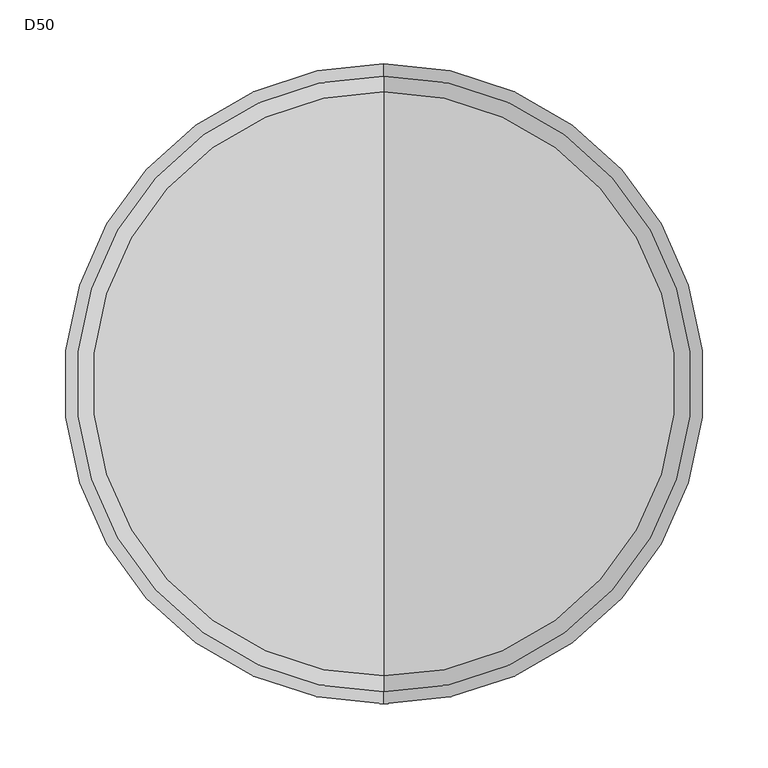
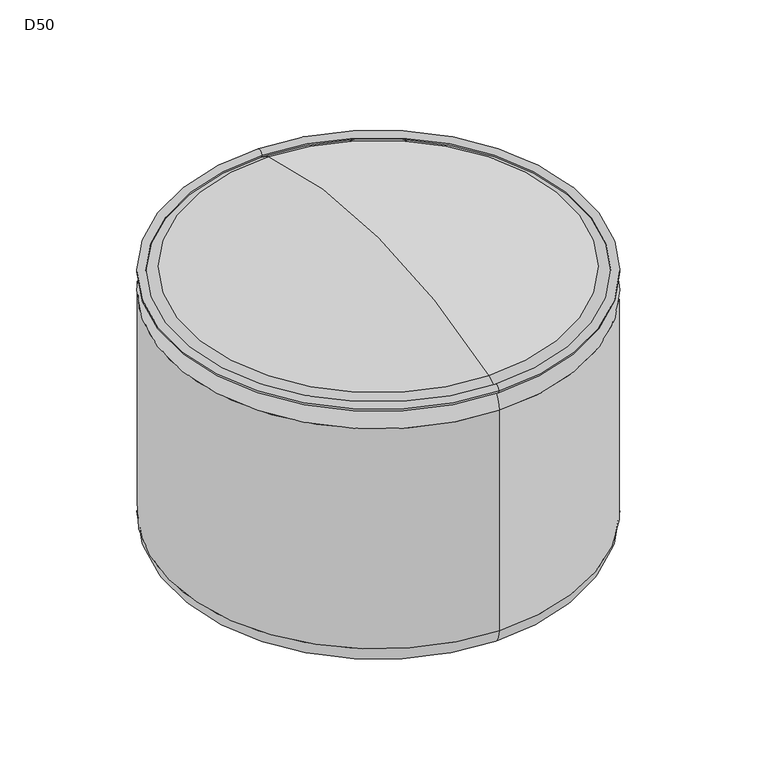
"""IFC4 building model written with IfcOpenShell, lengths in millimetres: furniture geometry, D50."""

from ifc_helpers import new_model, si_unit, point, frame, origin, place, context, project, spatial, circle_curve, ellipse_curve, trimmed, source, transform, mapped, element, save
from ifc_brep_helpers import plane_surface, cylinder_surface, revolved_surface, advanced_brep


def d50_78f3ab56(model_context):
    return source(origin(), model_context, "Body", "AdvancedBrep", [
        advanced_brep(
        [(-361.1339083, 586.2981598, 328.0171875), (-361.1339083, 105.2856598, 328.0171875), (-361.1339083, 95.7606598, 328.0171875), (-361.1339083, 595.8231598, 328.0171875)],
        [
            (0, 1, circle_curve(frame((-361.1339083, 345.7919098, 328.0171875), z_axis=(0.0, 0.0, -1.0), x_axis=(0.0, -1.0, 0.0)), 240.50625)),
            (1, 2, circle_curve(frame((-361.1339083, 100.5231598, 328.0171875), z_axis=(1.0, 0.0, 0.0), x_axis=(0.0, 1.0, 0.0)), 4.7625)),
            (2, 3, circle_curve(frame((-361.1339083, 345.7919098, 328.0171875), z_axis=(0.0, 0.0, 1.0), x_axis=(0.0, -1.0, 0.0)), 250.03125)),
            (3, 0, circle_curve(frame((-361.1339083, 591.0606598, 328.0171875), z_axis=(1.0, 0.0, 0.0), x_axis=(0.0, -1.0, 0.0)), 4.7625)),
            (2, 1, circle_curve(frame((-361.1339083, 100.5231598, 328.0171875), z_axis=(1.0, 0.0, 0.0), x_axis=(0.0, 1.0, 0.0)), 4.7625)),
            (0, 3, circle_curve(frame((-361.1339083, 591.0606598, 328.0171875), z_axis=(1.0, 0.0, 0.0), x_axis=(0.0, -1.0, 0.0)), 4.7625)),
            (1, 0, circle_curve(frame((-361.1339083, 345.7919098, 328.0171875), z_axis=(0.0, 0.0, -1.0), x_axis=(0.0, 1.0, 0.0)), 240.50625)),
            (3, 2, circle_curve(frame((-361.1339083, 345.7919098, 328.0171875), z_axis=(0.0, 0.0, 1.0), x_axis=(0.0, 1.0, 0.0)), 250.03125)),
        ],
        [
            revolved_surface(trimmed(ellipse_curve(frame((-361.1339083, 100.5231598, 328.0171875), z_axis=(-1.0, 0.0, 0.0), x_axis=(0.0, 1.0, 0.0)), 4.7625, 4.7625), [point((-361.1339083, 95.7606598, 328.0171875))], [point((-361.1339083, 105.2856598, 328.0171875))], True, "CARTESIAN"), (-361.1339083, 345.7919098, 323.2546875), (0.0, 0.0, 1.0)),
            revolved_surface(trimmed(ellipse_curve(frame((-361.1339083, 100.5231598, 328.0171875), z_axis=(-1.0, 0.0, 0.0), x_axis=(0.0, 1.0, 0.0)), 4.7625, 4.7625), [point((-361.1339083, 105.2856598, 328.0171875))], [point((-361.1339083, 95.7606598, 328.0171875))], True, "CARTESIAN"), (-361.1339083, 345.7919098, 323.2546875), (0.0, 0.0, 1.0)),
            revolved_surface(trimmed(ellipse_curve(frame((-361.1339083, 591.0606598, 328.0171875), z_axis=(1.0, 0.0, 0.0), x_axis=(0.0, -1.0, 0.0)), 4.7625, 4.7625), [point((-361.1339083, 595.8231598, 328.0171875))], [point((-361.1339083, 586.2981598, 328.0171875))], True, "CARTESIAN"), (-361.1339083, 345.7919098, 323.2546875), (0.0, 0.0, 1.0)),
            revolved_surface(trimmed(ellipse_curve(frame((-361.1339083, 591.0606598, 328.0171875), z_axis=(1.0, 0.0, 0.0), x_axis=(0.0, -1.0, 0.0)), 4.7625, 4.7625), [point((-361.1339083, 586.2981598, 328.0171875))], [point((-361.1339083, 595.8231598, 328.0171875))], True, "CARTESIAN"), (-361.1339083, 345.7919098, 323.2546875), (0.0, 0.0, 1.0)),
        ],
        [
            (0, [[1, 2, 3, 4]]),
            (1, [[-3, 5, -1, 6]]),
            (2, [[7, -4, 8, -2]]),
            (3, [[-8, -6, -7, -5]]),
        ],
    ),
        advanced_brep(
        [(-361.1339083, 95.7606598, 303.2939449), (-361.1339083, 595.8231598, 303.2939449), (-361.1339083, 595.8231598, 24.9923986), (-361.1339083, 95.7606598, 24.9923986), (-361.1339083, 117.6262158, 333.4661219), (-361.1339083, 573.9576038, 333.4661219), (-361.1339083, 345.7919098, 369.8875), (-361.1339083, 120.7530585, 0.0), (-361.1339083, 570.8307612, 0.0), (-361.1339083, 345.7919098, 0.0)],
        [
            (0, 1, circle_curve(frame((-361.1339083, 345.7919098, 303.2939449), z_axis=(0.0, 0.0, -1.0), x_axis=(0.0, 1.0, 0.0)), 250.03125)),
            (1, 2),
            (2, 3, circle_curve(frame((-361.1339083, 345.7919098, 24.9923986), z_axis=(0.0, 0.0, 1.0), x_axis=(0.0, 1.0, 0.0)), 250.03125)),
            (3, 0),
            (1, 0, circle_curve(frame((-361.1339083, 345.7919098, 303.2939449), z_axis=(0.0, 0.0, -1.0), x_axis=(0.0, 1.0, 0.0)), 250.03125)),
            (3, 2, circle_curve(frame((-361.1339083, 345.7919098, 24.9923986), z_axis=(0.0, 0.0, 1.0), x_axis=(0.0, 1.0, 0.0)), 250.03125)),
            (4, 5, circle_curve(frame((-361.1339083, 345.7919098, 333.4661219), z_axis=(0.0, 0.0, -1.0), x_axis=(0.0, 1.0, 0.0)), 228.165694)),
            (5, 1, circle_curve(frame((-361.1339083, 564.0731598, 303.2939449), z_axis=(-1.0, 0.0, 0.0), x_axis=(0.0, -1.0, 0.0)), 31.75)),
            (0, 4, circle_curve(frame((-361.1339083, 127.5106598, 303.2939449), z_axis=(-1.0, 0.0, 0.0), x_axis=(0.0, 1.0, 0.0)), 31.75)),
            (5, 4, circle_curve(frame((-361.1339083, 345.7919098, 333.4661219), z_axis=(0.0, 0.0, -1.0), x_axis=(0.0, 1.0, 0.0)), 228.165694)),
            (6, 5, circle_curve(frame((-361.1339083, 345.7919098, -363.0076227), z_axis=(-1.0, 0.0, 0.0), x_axis=(0.0, -1.0, 0.0)), 732.8951227)),
            (4, 6, circle_curve(frame((-361.1339083, 345.7919098, -363.0076227), z_axis=(-1.0, 0.0, 0.0), x_axis=(0.0, 1.0, 0.0)), 732.8951227)),
            (7, 8, circle_curve(frame((-361.1339083, 345.7919098, 0.0), z_axis=(0.0, 0.0, -1.0), x_axis=(0.0, 1.0, 0.0)), 225.0388514)),
            (8, 9),
            (9, 7),
            (8, 7, circle_curve(frame((-361.1339083, 345.7919098, 0.0), z_axis=(0.0, 0.0, -1.0), x_axis=(0.0, 1.0, 0.0)), 225.0388514)),
            (2, 8, circle_curve(frame((-361.1339083, 570.8307612, 24.9923986), z_axis=(-1.0, 0.0, 0.0), x_axis=(0.0, 1.0, 0.0)), 24.9923986)),
            (7, 3, circle_curve(frame((-361.1339083, 120.7530585, 24.9923986), z_axis=(-1.0, 0.0, 0.0), x_axis=(0.0, -1.0, 0.0)), 24.9923986)),
        ],
        [
            cylinder_surface(frame((-361.1339083, 345.7919098, 685.8), z_axis=(0.0, 0.0, 1.0), x_axis=(0.0, 1.0, 0.0)), 250.03125),
            revolved_surface(trimmed(ellipse_curve(frame((-361.1339083, 564.0731598, 303.2939449), z_axis=(1.0, 0.0, 0.0), x_axis=(0.0, -1.0, 0.0)), 31.75, 31.75), [point((-361.1339083, 595.8231598, 303.2939449))], [point((-361.1339083, 573.9576038, 333.4661219))], True, "CARTESIAN"), (-361.1339083, 345.7919098, 685.8), (0.0, 0.0, 1.0)),
            revolved_surface(trimmed(ellipse_curve(frame((-361.1339083, 345.7919098, -363.0076227), z_axis=(1.0, 0.0, 0.0), x_axis=(0.0, -1.0, 0.0)), 732.8951227, 732.8951227), [point((-361.1339083, 573.9576038, 333.4661219))], [point((-361.1339083, 345.7919098, 369.8875))], True, "CARTESIAN"), (-361.1339083, 345.7919098, 685.8), (0.0, 0.0, 1.0)),
            plane_surface(frame((-361.1339083, 345.7919098, 0.0), z_axis=(0.0, 0.0, -1.0), x_axis=(0.0, 1.0, 0.0))),
            revolved_surface(trimmed(ellipse_curve(frame((-361.1339083, 570.8307612, 24.9923986), z_axis=(1.0, 0.0, 0.0), x_axis=(0.0, 1.0, 0.0)), 24.9923986, 24.9923986), [point((-361.1339083, 570.8307612, 0.0))], [point((-361.1339083, 595.8231598, 24.9923986))], True, "CARTESIAN"), (-361.1339083, 345.7919098, 685.8), (0.0, 0.0, 1.0)),
        ],
        [
            (0, [[1, 2, 3, 4]]),
            (0, [[5, -4, 6, -2]]),
            (1, [[7, 8, -1, 9]]),
            (1, [[10, -9, -5, -8]]),
            (2, [[11, -7, 12]]),
            (2, [[-12, -10, -11]]),
            (3, [[13, 14, 15]]),
            (3, [[16, -15, -14]]),
            (4, [[-3, 17, -13, 18]]),
            (4, [[-6, -18, -16, -17]]),
        ],
    ),
    ])


if __name__ == "__main__":
    model = new_model("IFC4")
    model_context = context("Model", 3, world=origin())
    ifc_project = project(units=[si_unit("LENGTHUNIT", "METRE", prefix="MILLI")], contexts=[model_context])
    site = spatial("IfcSite", under=ifc_project)
    building = spatial("IfcBuilding", under=site)
    placement = place(None, origin())
    d50_shape = d50_78f3ab56(model_context)
    element("IfcFurniture", 1, ObjectType="D50", at=placement, inside=building, context=model_context, shape_type="MappedRepresentation", body=[
        mapped(d50_shape, transform((0.0, 0.0, 0.0), x_axis=(1.0, 0.0, 0.0), y_axis=(0.0, 1.0, 0.0), z_axis=(0.0, 0.0, 1.0))),
    ])
    save(model, "model.ifc")
